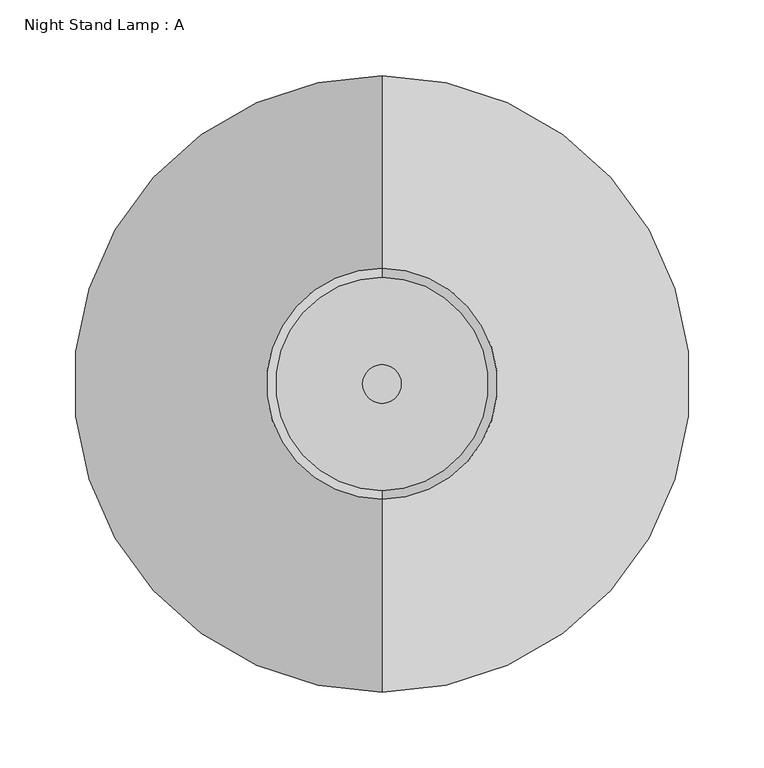
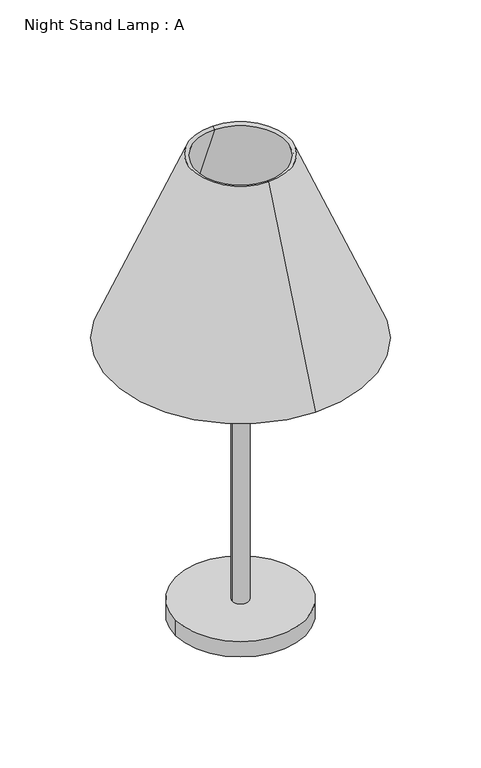
"""IFC4 building model written with IfcOpenShell, lengths in millimetres: furniture geometry, Night Stand Lamp : A."""

from ifc_helpers import new_model, si_unit, point, frame, origin, origin_with_axes, origin_2d, place, context, project, spatial, polyline, circle_curve, trimmed, segment, composite_curve, outline, extrude, source, transform, mapped, element, save
from ifc_brep_helpers import revolved_surface, advanced_brep


def night_stand_lamp_a_6bbdb86d(model_context):
    return source(origin(), model_context, "Body", "SolidModel", [
        advanced_brep(
        [(0.0, 203.2, 457.2), (0.0, -203.2, 457.2), (0.0, -76.2, 762.0), (0.0, 76.2, 762.0), (0.0, 197.3384615, 454.7576923), (0.0, -197.3384615, 454.7576923), (0.0, 70.3384615, 759.5576923), (0.0, -70.3384615, 759.5576923)],
        [
            (0, 1, circle_curve(frame((0.0, 0.0, 457.2), z_axis=(0.0, 0.0, 1.0), x_axis=(0.0, -1.0, 0.0)), 203.2)),
            (1, 2),
            (2, 3, circle_curve(frame((0.0, 0.0, 762.0), z_axis=(0.0, 0.0, -1.0), x_axis=(0.0, -1.0, 0.0)), 76.2)),
            (3, 0),
            (1, 0, circle_curve(frame((0.0, 0.0, 457.2), z_axis=(0.0, 0.0, 1.0), x_axis=(0.0, -1.0, 0.0)), 203.2)),
            (3, 2, circle_curve(frame((0.0, 0.0, 762.0), z_axis=(0.0, 0.0, -1.0), x_axis=(0.0, -1.0, 0.0)), 76.2)),
            (4, 5, circle_curve(frame((0.0, 0.0, 454.7576923), z_axis=(0.0, 0.0, 1.0), x_axis=(0.0, -1.0, 0.0)), 197.3384615)),
            (5, 1),
            (0, 4),
            (5, 4, circle_curve(frame((0.0, 0.0, 454.7576923), z_axis=(0.0, 0.0, 1.0), x_axis=(0.0, -1.0, 0.0)), 197.3384615)),
            (6, 7, circle_curve(frame((0.0, 0.0, 759.5576923), z_axis=(0.0, 0.0, 1.0), x_axis=(0.0, -1.0, 0.0)), 70.3384615)),
            (7, 5),
            (4, 6),
            (7, 6, circle_curve(frame((0.0, 0.0, 759.5576923), z_axis=(0.0, 0.0, 1.0), x_axis=(0.0, -1.0, 0.0)), 70.3384615)),
            (2, 7),
            (6, 3),
        ],
        [
            revolved_surface(polyline([(0.0, -76.2, 762.0), (0.0, -203.2, 457.2)]), (0.0, 0.0, 762.0), (0.0, 0.0, -1.0)),
            revolved_surface(polyline([(0.0, -203.2, 457.2), (0.0, -197.3384615, 454.7576923)]), (0.0, 0.0, 762.0), (0.0, 0.0, -1.0)),
            revolved_surface(polyline([(0.0, -197.3384615, 454.7576923), (0.0, -70.3384615, 759.5576923)]), (0.0, 0.0, 762.0), (0.0, 0.0, -1.0)),
            revolved_surface(polyline([(0.0, -70.3384615, 759.5576923), (0.0, -76.2, 762.0)]), (0.0, 0.0, 762.0), (0.0, 0.0, -1.0)),
        ],
        [
            (0, [[1, 2, 3, 4]]),
            (0, [[5, -4, 6, -2]]),
            (1, [[7, 8, -1, 9]]),
            (1, [[10, -9, -5, -8]]),
            (2, [[11, 12, -7, 13]]),
            (2, [[14, -13, -10, -12]]),
            (3, [[-3, 15, -11, 16]]),
            (3, [[-6, -16, -14, -15]]),
        ],
    ),
        extrude(outline(composite_curve([segment(trimmed(circle_curve(origin_2d(), 12.7), [point((-12.7, 0.0))], [point((12.7, 0.0))], False, "CARTESIAN"), True, "CONTINUOUS"), segment(trimmed(circle_curve(origin_2d(), 12.7), [point((12.7, 0.0))], [point((-12.7, 0.0))], False, "CARTESIAN"), True, "CONTINUOUS")], self_intersect=False)), frame((0.0, 0.0, 25.4), z_axis=(0.0, 0.0, 1.0), x_axis=(1.0, 0.0, 0.0)), (0.0, 0.0, 1.0), 533.4),
        extrude(outline(composite_curve([segment(trimmed(circle_curve(origin_2d(), 101.6), [point((-101.6, 0.0))], [point((101.6, 0.0))], False, "CARTESIAN"), True, "CONTINUOUS"), segment(trimmed(circle_curve(origin_2d(), 101.6), [point((101.6, 0.0))], [point((-101.6, 0.0))], False, "CARTESIAN"), True, "CONTINUOUS")], self_intersect=False)), origin_with_axes(), (0.0, 0.0, 1.0), 25.4),
    ])


if __name__ == "__main__":
    model = new_model("IFC4")
    model_context = context("Model", 3, world=origin())
    ifc_project = project(units=[si_unit("LENGTHUNIT", "METRE", prefix="MILLI")], contexts=[model_context])
    site = spatial("IfcSite", under=ifc_project)
    building = spatial("IfcBuilding", under=site)
    placement = place(None, origin())
    night_stand_lamp_a_shape = night_stand_lamp_a_6bbdb86d(model_context)
    element("IfcFurniture", 1, ObjectType="Night Stand Lamp : A", at=placement, inside=building, context=model_context, shape_type="MappedRepresentation", body=[
        mapped(night_stand_lamp_a_shape, transform((0.0, 0.0, 0.0), x_axis=(1.0, 0.0, 0.0), y_axis=(0.0, 1.0, 0.0), z_axis=(0.0, 0.0, 1.0))),
    ])
    save(model, "model.ifc")
